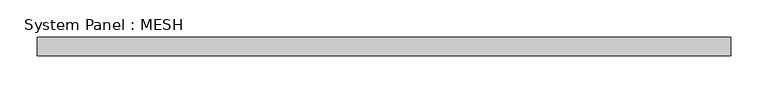
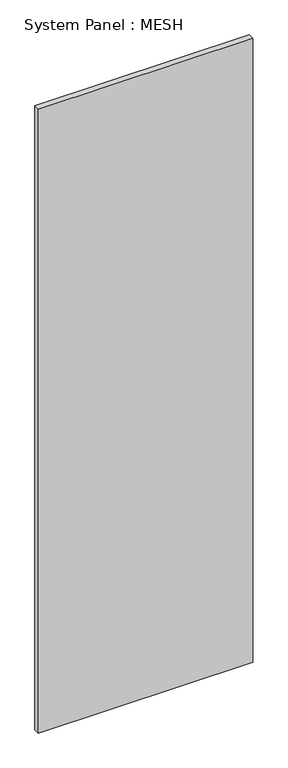
"""IFC4 building model written with IfcOpenShell, lengths in millimetres: plate geometry, System Panel : MESH."""

import ifcopenshell
import ifcopenshell.guid

model = None  # the IFC model being written
_history = None  # IfcOwnerHistory: only IFC2X3 demands one
_inside = {}  # id of a spatial element -> (the spatial element, [elements in it])
_under = {}  # id of a project, library or spatial element -> (it, [spatial elements below it])
_declared = {}  # id of a project -> (the project, [libraries it declares])
_typed = {}  # id of a type object -> (the type object, [elements of that type])
_made_of = {}  # id of a material, layer set ... -> (it, [elements and type objects made of it])


def new_model(schema):
    """Start an empty IFC model of exactly this schema.

    Asked for "IFC4X3", IfcOpenShell would pick the latest addendum, in which some entities
    have other attributes; the version numbers below select the first issue.
    IFC2X3 requires an IfcOwnerHistory on every rooted entity: one is made here for all.
    """
    global model, _history
    if schema == "IFC4X3":
        model = ifcopenshell.file(schema_version=(4, 3, 0, 0))
    else:
        model = ifcopenshell.file(schema=schema)
    _inside.clear()
    _under.clear()
    _declared.clear()
    _typed.clear()
    _made_of.clear()
    _history = None
    if model.schema == "IFC2X3":
        org = make("IfcOrganization", Name="unknown")
        user = make(
            "IfcPersonAndOrganization",
            ThePerson=make("IfcPerson", FamilyName="unknown"),
            TheOrganization=org,
        )
        app = make(
            "IfcApplication",
            ApplicationDeveloper=org,
            Version="unknown",
            ApplicationFullName="unknown",
            ApplicationIdentifier="unknown",
        )
        _history = make(
            "IfcOwnerHistory",
            OwningUser=user,
            OwningApplication=app,
            ChangeAction="ADDED",
            CreationDate=0,
        )
    return model


def make(cls, **values):
    """One entity of the class cls with the attributes given. An attribute that is None is left unset."""
    return model.create_entity(
        cls, **{name: value for name, value in values.items() if value is not None}
    )


def rooted(cls, **values):
    """An entity with a GlobalId (a new one), such as an element, a storey or a relation."""
    return make(cls, GlobalId=ifcopenshell.guid.new(), OwnerHistory=_history, **values)


def si_unit(unit_type, name, prefix=None):
    """IfcSIUnit, for example si_unit("LENGTHUNIT", "METRE", prefix="MILLI")."""
    return make("IfcSIUnit", UnitType=unit_type, Prefix=prefix, Name=name)


def assignment(units):
    """IfcUnitAssignment: the units of a project."""
    return None if units is None else make("IfcUnitAssignment", Units=units)


def point(xyz):
    """IfcCartesianPoint."""
    return None if xyz is None else make("IfcCartesianPoint", Coordinates=xyz)


def direction(xyz):
    """IfcDirection."""
    return None if xyz is None else make("IfcDirection", DirectionRatios=xyz)


def frame(location, z_axis=None, x_axis=None):
    """IfcAxis2Placement3D, a coordinate frame: its origin and axes. An axis left out is left unset."""
    return make(
        "IfcAxis2Placement3D",
        Location=point(location),
        Axis=direction(z_axis),
        RefDirection=direction(x_axis),
    )


def origin():
    """The frame at (0, 0, 0) with its axes left unset."""
    return frame((0.0, 0.0, 0.0))


def origin_with_axes():
    """The frame at (0, 0, 0) with the z axis (0, 0, 1) and the x axis (1, 0, 0) written out."""
    return frame((0.0, 0.0, 0.0), z_axis=(0.0, 0.0, 1.0), x_axis=(1.0, 0.0, 0.0))


def place(relative_to, where):
    """IfcLocalPlacement: puts the frame where relative to a parent placement (None: the world)."""
    return make(
        "IfcLocalPlacement", PlacementRelTo=relative_to, RelativePlacement=where
    )


def context(
    kind, dimensions, precision=None, world=None, true_north=None, identifier=None
):
    """IfcGeometricRepresentationContext, for example the 3D "Model" context."""
    return make(
        "IfcGeometricRepresentationContext",
        ContextIdentifier=identifier,
        ContextType=kind,
        CoordinateSpaceDimension=dimensions,
        Precision=precision,
        WorldCoordinateSystem=world,
        TrueNorth=true_north,
    )


def project(units=None, contexts=None):
    """IfcProject with its units and contexts."""
    return rooted(
        "IfcProject",
        Name="project",
        RepresentationContexts=contexts,
        UnitsInContext=assignment(units),
    )


def spatial(cls, under=None, at=None, **own):
    """A site, building, storey or space (cls), placed at a placement, below another one or the project."""
    s = rooted(cls, ObjectPlacement=at, **own)
    if under is not None:
        _under.setdefault(under.id(), (under, []))[1].append(s)
    return s


def polyline(points):
    """IfcPolyline through the points."""
    return make("IfcPolyline", Points=[point(p) for p in points])


def outline(outer, holes=None, kind="AREA"):
    """IfcArbitraryClosedProfileDef: a profile drawn as a closed curve; with holes, ...WithVoids."""
    if holes is None:
        return make("IfcArbitraryClosedProfileDef", ProfileType=kind, OuterCurve=outer)
    return make(
        "IfcArbitraryProfileDefWithVoids",
        ProfileType=kind,
        OuterCurve=outer,
        InnerCurves=holes,
    )


def extrude(swept, where, along, depth):
    """IfcExtrudedAreaSolid: the profile swept, set in the frame where, extruded along a direction by depth."""
    return make(
        "IfcExtrudedAreaSolid",
        SweptArea=swept,
        Position=where,
        ExtrudedDirection=direction(along),
        Depth=depth,
    )


def shape(context_of_items, identifier, shape_type, items):
    """IfcShapeRepresentation: the items that make up one representation, for example the "Body"."""
    return make(
        "IfcShapeRepresentation",
        ContextOfItems=context_of_items,
        RepresentationIdentifier=identifier,
        RepresentationType=shape_type,
        Items=items,
    )


def source(mapping_origin, context_of_items, identifier, shape_type, items):
    """IfcRepresentationMap: a shape defined once, which mapped items show again and again."""
    return make(
        "IfcRepresentationMap",
        MappingOrigin=mapping_origin,
        MappedRepresentation=shape(context_of_items, identifier, shape_type, items),
    )


def transform(
    local_origin,
    x_axis=None,
    y_axis=None,
    z_axis=None,
    scale=None,
    scale2=None,
    scale3=None,
    uniform=True,
):
    """IfcCartesianTransformationOperator3D, or its non-uniform kind. x_axis, y_axis, z_axis: its Axis1, 2, 3."""
    if uniform:
        return make(
            "IfcCartesianTransformationOperator3D",
            Axis1=direction(x_axis),
            Axis2=direction(y_axis),
            LocalOrigin=point(local_origin),
            Scale=scale,
            Axis3=direction(z_axis),
        )
    return make(
        "IfcCartesianTransformationOperator3DnonUniform",
        Axis1=direction(x_axis),
        Axis2=direction(y_axis),
        LocalOrigin=point(local_origin),
        Scale=scale,
        Axis3=direction(z_axis),
        Scale2=scale2,
        Scale3=scale3,
    )


def mapped(mapping_source, mapping_target):
    """IfcMappedItem: shows the shape of a source again, moved by a transform."""
    return make(
        "IfcMappedItem", MappingSource=mapping_source, MappingTarget=mapping_target
    )


def made_of(thing, what):
    """Note that an element or type object is made of a material, layer set ...; save() writes the relation."""
    if what is not None:
        _made_of.setdefault(what.id(), (what, []))[1].append(thing)
    return thing


def element(
    cls,
    number,
    at=None,
    inside=None,
    cuts=None,
    type_object=None,
    material=None,
    context=None,
    identifier="Body",
    shape_type=None,
    held_by="IfcProductDefinitionShape",
    body=None,
    shapes=None,
    **own,
):
    """One element of the class cls, such as IfcWall. Its Tag is "e" and its number.

    at: its placement. inside: the storey or other place that contains it. cuts: it is an
    opening in that element (IfcRelVoidsElement). A single representation is given by context,
    identifier, shape_type and body (its items); several are given by shapes. held_by: the class
    of the entity that holds the representations. save() writes the other relations.
    """
    e = rooted(cls, Tag="e%d" % number, ObjectPlacement=at, **own)
    if body is not None:
        shapes = [shape(context, identifier, shape_type, body)]
    if shapes is not None:
        e.Representation = make(held_by, Representations=shapes)
    if inside is not None:
        _inside.setdefault(inside.id(), (inside, []))[1].append(e)
    if cuts is not None:
        rooted(
            "IfcRelVoidsElement", RelatingBuildingElement=cuts, RelatedOpeningElement=e
        )
    if type_object is not None:
        _typed.setdefault(type_object.id(), (type_object, []))[1].append(e)
    return made_of(e, material)


def aggregate(whole, parts):
    """IfcRelAggregates: a whole, such as a stair, and the parts it consists of."""
    return rooted("IfcRelAggregates", RelatingObject=whole, RelatedObjects=parts)


def save(model, path):
    """Write the relations noted so far, then the file.

    IfcRelAggregates (storeys below a building ...), IfcRelContainedInSpatialStructure (elements
    in a storey), IfcRelDefinesByType, IfcRelAssociatesMaterial and IfcRelDeclares: one each for
    every whole, place, type object, material and project.
    """
    for whole, parts in _under.values():
        aggregate(whole, parts)
    for where, things in _inside.values():
        rooted(
            "IfcRelContainedInSpatialStructure",
            RelatedElements=things,
            RelatingStructure=where,
        )
    for kind, things in _typed.values():
        rooted("IfcRelDefinesByType", RelatedObjects=things, RelatingType=kind)
    for what, things in _made_of.values():
        rooted("IfcRelAssociatesMaterial", RelatedObjects=things, RelatingMaterial=what)
    for by, libraries in _declared.values():
        rooted("IfcRelDeclares", RelatingContext=by, RelatedDefinitions=libraries)
    model.write(path)


def system_panel_mesh_f8f47dc5(model_context):
    return source(origin(), model_context, "Body", "SweptSolid", [
        extrude(outline(polyline([(464.9846072, -12.5), (-464.9846072, -12.5), (-464.9846072, 12.5), (464.9846072, 12.5), (464.9846072, -12.5)])), origin_with_axes(), (0.0, 0.0, 1.0), 2860.0),
    ])


if __name__ == "__main__":
    model = new_model("IFC4")
    model_context = context("Model", 3, world=origin())
    ifc_project = project(units=[si_unit("LENGTHUNIT", "METRE", prefix="MILLI")], contexts=[model_context])
    site = spatial("IfcSite", under=ifc_project)
    building = spatial("IfcBuilding", under=site)
    placement = place(None, origin())
    system_panel_mesh_shape = system_panel_mesh_f8f47dc5(model_context)
    element("IfcPlate", 1, ObjectType="System Panel : MESH", at=placement, inside=building, context=model_context, shape_type="MappedRepresentation", body=[
        mapped(system_panel_mesh_shape, transform((0.0, 0.0, 0.0), x_axis=(1.0, 0.0, 0.0), y_axis=(0.0, 1.0, 0.0), z_axis=(0.0, 0.0, 1.0))),
    ])
    save(model, "model.ifc")
